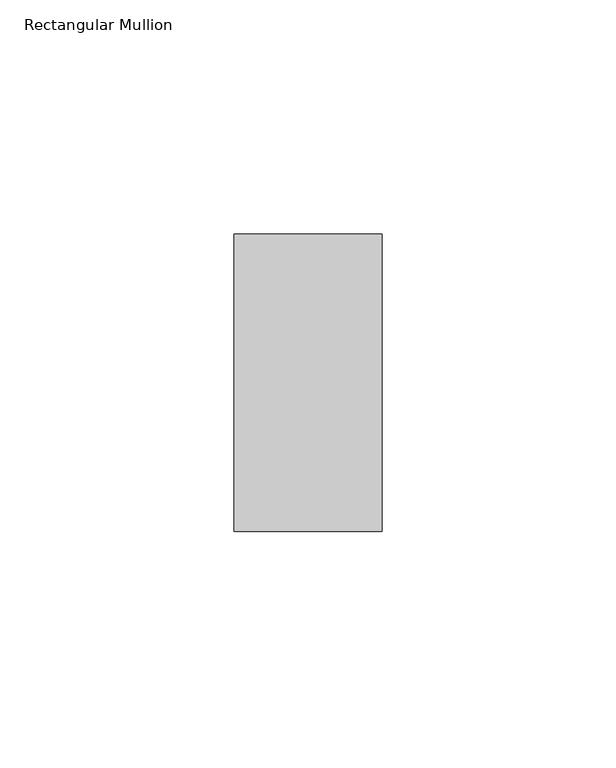
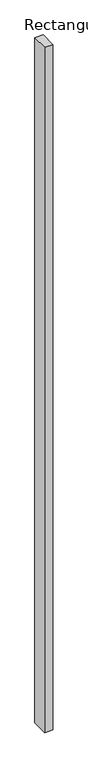
"""IFC4 building model written with IfcOpenShell, lengths in millimetres: member geometry, Rectangular Mullion."""

from ifc_helpers import new_model, si_unit, frame, origin, place, context, project, spatial, polyline, outline, extrude, source, transform, mapped, element, save


def rectangular_mullion_e722ddc3(model_context):
    return source(origin(), model_context, "Body", "SweptSolid", [
        extrude(outline(polyline([(-31.623, -31.7489583), (-31.623, 31.7489583), (0.0, 31.7489583), (0.0, -31.7489583), (-31.623, -31.7489583)])), frame((0.0, 0.0, -2743.2), z_axis=(0.0, 0.0, 1.0), x_axis=(1.0, 0.0, 0.0)), (0.0, 0.0, 1.0), 2743.2),
    ])


if __name__ == "__main__":
    model = new_model("IFC4")
    model_context = context("Model", 3, world=origin())
    ifc_project = project(units=[si_unit("LENGTHUNIT", "METRE", prefix="MILLI")], contexts=[model_context])
    site = spatial("IfcSite", under=ifc_project)
    building = spatial("IfcBuilding", under=site)
    placement = place(None, origin())
    rectangular_mullion_shape = rectangular_mullion_e722ddc3(model_context)
    element("IfcMember", 1, ObjectType="Rectangular Mullion", at=placement, inside=building, context=model_context, shape_type="MappedRepresentation", body=[
        mapped(rectangular_mullion_shape, transform((0.0, 0.0, 0.0), x_axis=(1.0, 0.0, 0.0), y_axis=(0.0, 1.0, 0.0), z_axis=(0.0, 0.0, 1.0))),
    ])
    save(model, "model.ifc")
